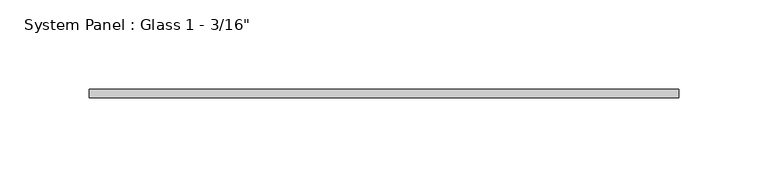
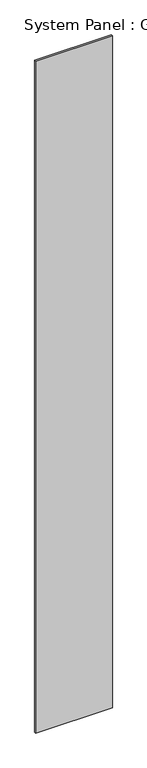
"""IFC4 building model written with IfcOpenShell, lengths in millimetres: plate geometry."""

import ifcopenshell
import ifcopenshell.guid

model = None  # the IFC model being written
_history = None  # IfcOwnerHistory: only IFC2X3 demands one
_inside = {}  # id of a spatial element -> (the spatial element, [elements in it])
_under = {}  # id of a project, library or spatial element -> (it, [spatial elements below it])
_declared = {}  # id of a project -> (the project, [libraries it declares])
_typed = {}  # id of a type object -> (the type object, [elements of that type])
_made_of = {}  # id of a material, layer set ... -> (it, [elements and type objects made of it])


def new_model(schema):
    """Start an empty IFC model of exactly this schema.

    Asked for "IFC4X3", IfcOpenShell would pick the latest addendum, in which some entities
    have other attributes; the version numbers below select the first issue.
    IFC2X3 requires an IfcOwnerHistory on every rooted entity: one is made here for all.
    """
    global model, _history
    if schema == "IFC4X3":
        model = ifcopenshell.file(schema_version=(4, 3, 0, 0))
    else:
        model = ifcopenshell.file(schema=schema)
    _inside.clear()
    _under.clear()
    _declared.clear()
    _typed.clear()
    _made_of.clear()
    _history = None
    if model.schema == "IFC2X3":
        org = make("IfcOrganization", Name="unknown")
        user = make(
            "IfcPersonAndOrganization",
            ThePerson=make("IfcPerson", FamilyName="unknown"),
            TheOrganization=org,
        )
        app = make(
            "IfcApplication",
            ApplicationDeveloper=org,
            Version="unknown",
            ApplicationFullName="unknown",
            ApplicationIdentifier="unknown",
        )
        _history = make(
            "IfcOwnerHistory",
            OwningUser=user,
            OwningApplication=app,
            ChangeAction="ADDED",
            CreationDate=0,
        )
    return model


def make(cls, **values):
    """One entity of the class cls with the attributes given. An attribute that is None is left unset."""
    return model.create_entity(
        cls, **{name: value for name, value in values.items() if value is not None}
    )


def rooted(cls, **values):
    """An entity with a GlobalId (a new one), such as an element, a storey or a relation."""
    return make(cls, GlobalId=ifcopenshell.guid.new(), OwnerHistory=_history, **values)


def si_unit(unit_type, name, prefix=None):
    """IfcSIUnit, for example si_unit("LENGTHUNIT", "METRE", prefix="MILLI")."""
    return make("IfcSIUnit", UnitType=unit_type, Prefix=prefix, Name=name)


def assignment(units):
    """IfcUnitAssignment: the units of a project."""
    return None if units is None else make("IfcUnitAssignment", Units=units)


def point(xyz):
    """IfcCartesianPoint."""
    return None if xyz is None else make("IfcCartesianPoint", Coordinates=xyz)


def direction(xyz):
    """IfcDirection."""
    return None if xyz is None else make("IfcDirection", DirectionRatios=xyz)


def frame(location, z_axis=None, x_axis=None):
    """IfcAxis2Placement3D, a coordinate frame: its origin and axes. An axis left out is left unset."""
    return make(
        "IfcAxis2Placement3D",
        Location=point(location),
        Axis=direction(z_axis),
        RefDirection=direction(x_axis),
    )


def origin():
    """The frame at (0, 0, 0) with its axes left unset."""
    return frame((0.0, 0.0, 0.0))


def origin_with_axes():
    """The frame at (0, 0, 0) with the z axis (0, 0, 1) and the x axis (1, 0, 0) written out."""
    return frame((0.0, 0.0, 0.0), z_axis=(0.0, 0.0, 1.0), x_axis=(1.0, 0.0, 0.0))


def place(relative_to, where):
    """IfcLocalPlacement: puts the frame where relative to a parent placement (None: the world)."""
    return make(
        "IfcLocalPlacement", PlacementRelTo=relative_to, RelativePlacement=where
    )


def context(
    kind, dimensions, precision=None, world=None, true_north=None, identifier=None
):
    """IfcGeometricRepresentationContext, for example the 3D "Model" context."""
    return make(
        "IfcGeometricRepresentationContext",
        ContextIdentifier=identifier,
        ContextType=kind,
        CoordinateSpaceDimension=dimensions,
        Precision=precision,
        WorldCoordinateSystem=world,
        TrueNorth=true_north,
    )


def project(units=None, contexts=None):
    """IfcProject with its units and contexts."""
    return rooted(
        "IfcProject",
        Name="project",
        RepresentationContexts=contexts,
        UnitsInContext=assignment(units),
    )


def spatial(cls, under=None, at=None, **own):
    """A site, building, storey or space (cls), placed at a placement, below another one or the project."""
    s = rooted(cls, ObjectPlacement=at, **own)
    if under is not None:
        _under.setdefault(under.id(), (under, []))[1].append(s)
    return s


def polyline(points):
    """IfcPolyline through the points."""
    return make("IfcPolyline", Points=[point(p) for p in points])


def outline(outer, holes=None, kind="AREA"):
    """IfcArbitraryClosedProfileDef: a profile drawn as a closed curve; with holes, ...WithVoids."""
    if holes is None:
        return make("IfcArbitraryClosedProfileDef", ProfileType=kind, OuterCurve=outer)
    return make(
        "IfcArbitraryProfileDefWithVoids",
        ProfileType=kind,
        OuterCurve=outer,
        InnerCurves=holes,
    )


def extrude(swept, where, along, depth):
    """IfcExtrudedAreaSolid: the profile swept, set in the frame where, extruded along a direction by depth."""
    return make(
        "IfcExtrudedAreaSolid",
        SweptArea=swept,
        Position=where,
        ExtrudedDirection=direction(along),
        Depth=depth,
    )


def shape(context_of_items, identifier, shape_type, items):
    """IfcShapeRepresentation: the items that make up one representation, for example the "Body"."""
    return make(
        "IfcShapeRepresentation",
        ContextOfItems=context_of_items,
        RepresentationIdentifier=identifier,
        RepresentationType=shape_type,
        Items=items,
    )


def source(mapping_origin, context_of_items, identifier, shape_type, items):
    """IfcRepresentationMap: a shape defined once, which mapped items show again and again."""
    return make(
        "IfcRepresentationMap",
        MappingOrigin=mapping_origin,
        MappedRepresentation=shape(context_of_items, identifier, shape_type, items),
    )


def transform(
    local_origin,
    x_axis=None,
    y_axis=None,
    z_axis=None,
    scale=None,
    scale2=None,
    scale3=None,
    uniform=True,
):
    """IfcCartesianTransformationOperator3D, or its non-uniform kind. x_axis, y_axis, z_axis: its Axis1, 2, 3."""
    if uniform:
        return make(
            "IfcCartesianTransformationOperator3D",
            Axis1=direction(x_axis),
            Axis2=direction(y_axis),
            LocalOrigin=point(local_origin),
            Scale=scale,
            Axis3=direction(z_axis),
        )
    return make(
        "IfcCartesianTransformationOperator3DnonUniform",
        Axis1=direction(x_axis),
        Axis2=direction(y_axis),
        LocalOrigin=point(local_origin),
        Scale=scale,
        Axis3=direction(z_axis),
        Scale2=scale2,
        Scale3=scale3,
    )


def mapped(mapping_source, mapping_target):
    """IfcMappedItem: shows the shape of a source again, moved by a transform."""
    return make(
        "IfcMappedItem", MappingSource=mapping_source, MappingTarget=mapping_target
    )


def made_of(thing, what):
    """Note that an element or type object is made of a material, layer set ...; save() writes the relation."""
    if what is not None:
        _made_of.setdefault(what.id(), (what, []))[1].append(thing)
    return thing


def element(
    cls,
    number,
    at=None,
    inside=None,
    cuts=None,
    type_object=None,
    material=None,
    context=None,
    identifier="Body",
    shape_type=None,
    held_by="IfcProductDefinitionShape",
    body=None,
    shapes=None,
    **own,
):
    """One element of the class cls, such as IfcWall. Its Tag is "e" and its number.

    at: its placement. inside: the storey or other place that contains it. cuts: it is an
    opening in that element (IfcRelVoidsElement). A single representation is given by context,
    identifier, shape_type and body (its items); several are given by shapes. held_by: the class
    of the entity that holds the representations. save() writes the other relations.
    """
    e = rooted(cls, Tag="e%d" % number, ObjectPlacement=at, **own)
    if body is not None:
        shapes = [shape(context, identifier, shape_type, body)]
    if shapes is not None:
        e.Representation = make(held_by, Representations=shapes)
    if inside is not None:
        _inside.setdefault(inside.id(), (inside, []))[1].append(e)
    if cuts is not None:
        rooted(
            "IfcRelVoidsElement", RelatingBuildingElement=cuts, RelatedOpeningElement=e
        )
    if type_object is not None:
        _typed.setdefault(type_object.id(), (type_object, []))[1].append(e)
    return made_of(e, material)


def aggregate(whole, parts):
    """IfcRelAggregates: a whole, such as a stair, and the parts it consists of."""
    return rooted("IfcRelAggregates", RelatingObject=whole, RelatedObjects=parts)


def save(model, path):
    """Write the relations noted so far, then the file.

    IfcRelAggregates (storeys below a building ...), IfcRelContainedInSpatialStructure (elements
    in a storey), IfcRelDefinesByType, IfcRelAssociatesMaterial and IfcRelDeclares: one each for
    every whole, place, type object, material and project.
    """
    for whole, parts in _under.values():
        aggregate(whole, parts)
    for where, things in _inside.values():
        rooted(
            "IfcRelContainedInSpatialStructure",
            RelatedElements=things,
            RelatingStructure=where,
        )
    for kind, things in _typed.values():
        rooted("IfcRelDefinesByType", RelatedObjects=things, RelatingType=kind)
    for what, things in _made_of.values():
        rooted("IfcRelAssociatesMaterial", RelatedObjects=things, RelatingMaterial=what)
    for by, libraries in _declared.values():
        rooted("IfcRelDeclares", RelatingContext=by, RelatedDefinitions=libraries)
    model.write(path)


def plate_b96a4b4d(model_context):
    return source(origin(), model_context, "Body", "SweptSolid", [
        extrude(outline(polyline([(165.1, -4.7625), (-165.1, -4.7625), (-165.1, 0.0), (165.1, 0.0), (165.1, -4.7625)])), origin_with_axes(), (0.0, 0.0, 1.0), 3048.0),
    ])


if __name__ == "__main__":
    model = new_model("IFC4")
    model_context = context("Model", 3, world=origin())
    ifc_project = project(units=[si_unit("LENGTHUNIT", "METRE", prefix="MILLI")], contexts=[model_context])
    site = spatial("IfcSite", under=ifc_project)
    building = spatial("IfcBuilding", under=site)
    placement = place(None, origin())
    plate_shape = plate_b96a4b4d(model_context)
    element("IfcPlate", 1, ObjectType="System Panel : Glass 1 - 3/16\"", at=placement, inside=building, context=model_context, shape_type="MappedRepresentation", body=[
        mapped(plate_shape, transform((0.0, 0.0, 0.0), x_axis=(1.0, 0.0, 0.0), y_axis=(0.0, 1.0, 0.0), z_axis=(0.0, 0.0, 1.0))),
    ])
    save(model, "model.ifc")
